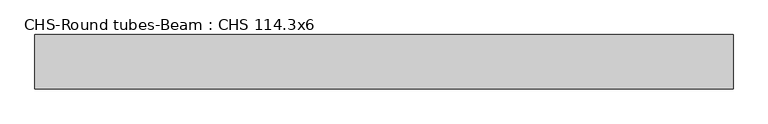
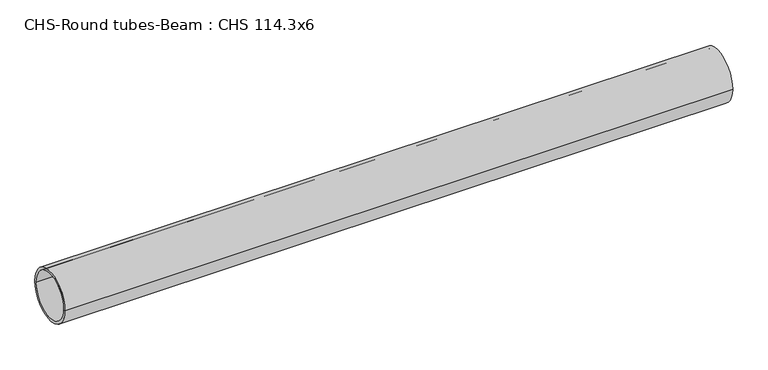
"""IFC4 building model written with IfcOpenShell, lengths in millimetres: beam geometry, CHS-Round tubes-Beam : CHS 114.3x6."""

from ifc_helpers import new_model, si_unit, point, frame, origin, origin_2d, place, context, project, spatial, circle_curve, trimmed, segment, composite_curve, outline, extrude, source, transform, mapped, element, save


def chs_round_tubes_beam_chs_114_3x6_1583683e(model_context):
    return source(origin(), model_context, "Body", "SweptSolid", [
        extrude(outline(composite_curve([segment(trimmed(circle_curve(origin_2d(), 57.15), [point((57.15, 0.0))], [point((-57.15, 0.0))], False, "CARTESIAN"), True, "CONTINUOUS"), segment(trimmed(circle_curve(origin_2d(), 57.15), [point((-57.15, 0.0))], [point((57.15, 0.0))], False, "CARTESIAN"), True, "CONTINUOUS")], self_intersect=False), holes=[composite_curve([segment(trimmed(circle_curve(origin_2d(), 51.15), [point((51.15, 0.0))], [point((-51.15, 0.0))], True, "CARTESIAN"), True, "CONTINUOUS"), segment(trimmed(circle_curve(origin_2d(), 51.15), [point((-51.15, 0.0))], [point((51.15, 0.0))], True, "CARTESIAN"), True, "CONTINUOUS")], self_intersect=False)]), frame((-702.7335298, 0.0, 0.0), z_axis=(1.0, 0.0, 0.0), x_axis=(0.0, 1.0, 0.0)), (0.0, 0.0, 1.0), 1471.2293967),
    ])


if __name__ == "__main__":
    model = new_model("IFC4")
    model_context = context("Model", 3, world=origin())
    ifc_project = project(units=[si_unit("LENGTHUNIT", "METRE", prefix="MILLI")], contexts=[model_context])
    site = spatial("IfcSite", under=ifc_project)
    building = spatial("IfcBuilding", under=site)
    placement = place(None, origin())
    chs_round_tubes_beam_chs_114_3x6_shape = chs_round_tubes_beam_chs_114_3x6_1583683e(model_context)
    element("IfcBeam", 1, ObjectType="CHS-Round tubes-Beam : CHS 114.3x6", at=placement, inside=building, context=model_context, shape_type="MappedRepresentation", body=[
        mapped(chs_round_tubes_beam_chs_114_3x6_shape, transform((0.0, 0.0, 0.0), x_axis=(1.0, 0.0, 0.0), y_axis=(0.0, 1.0, 0.0), z_axis=(0.0, 0.0, 1.0))),
    ])
    save(model, "model.ifc")
